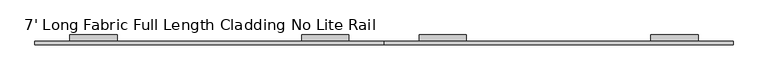
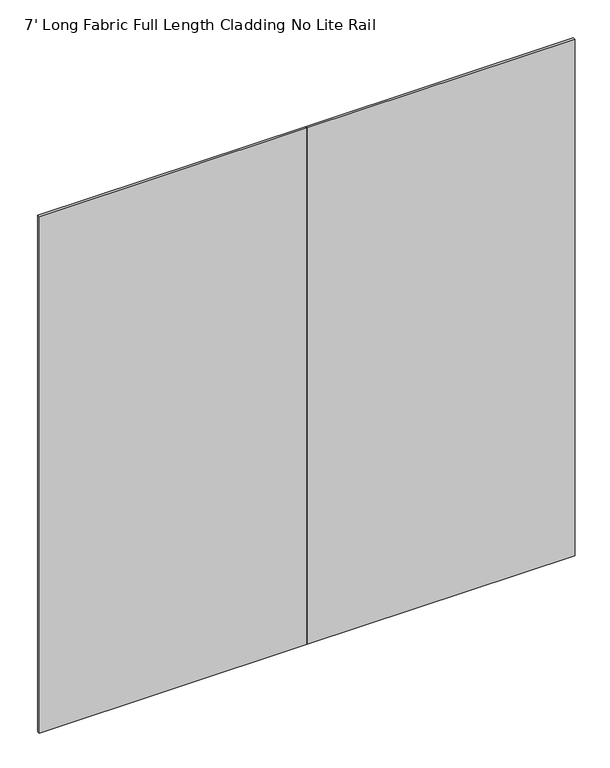
"""IFC4 building model written with IfcOpenShell, lengths in millimetres: furniture geometry, 7' Long Fabric Full Length Cladding No Lite Rail."""

from ifc_helpers import new_model, si_unit, frame, origin, place, context, project, spatial, polyline, outline, extrude, source, transform, mapped, element, save


def furniture_7_long_fabric_full_length_cladding_no_lite_rail_5d22082a(model_context):
    return source(origin(), model_context, "Body", "SweptSolid", [
        extrude(outline(polyline([(1066.8, -4.7752), (1066.8, 4.7498), (2133.6, 4.7498), (2133.6, -4.7752), (1066.8, -4.7752)])), frame((0.0, 0.0, 12.7), z_axis=(0.0, 0.0, 1.0), x_axis=(1.0, 0.0, 0.0)), (0.0, 0.0, 1.0), 2173.6010468),
        extrude(outline(polyline([(0.0, -4.7752), (0.0, 4.7498), (1066.8, 4.7498), (1066.8, -4.7752), (0.0, -4.7752)])), frame((0.0, 0.0, 12.7), z_axis=(0.0, 0.0, 1.0), x_axis=(1.0, 0.0, 0.0)), (0.0, 0.0, 1.0), 2173.6010468),
        extrude(outline(polyline([(4.7498, 2116.3226334), (24.8177997, 2116.3226334), (24.8177997, 2115.4106251), (5.6618003, 2115.4106251), (5.6618003, 2083.5286322), (24.8177997, 2083.5286322), (24.8177997, 2079.4995474), (5.6618003, 2079.4995474), (5.6618003, 2013.998531), (4.7498, 2013.998531), (4.7498, 2116.3226334)])), frame((1174.1200118, 0.0, 0.0), z_axis=(1.0, 0.0, 0.0), x_axis=(0.0, 1.0, 0.0)), (0.0, 0.0, 1.0), 144.4200002),
        extrude(outline(polyline([(4.7498, 2114.7370525), (24.8177997, 2114.7370525), (24.8177997, 2113.8250443), (5.6618003, 2113.8250443), (5.6618003, 2081.9430513), (24.8177997, 2081.9430513), (24.8177997, 2077.9139665), (5.6618003, 2077.9139665), (5.6618003, 2012.4120483), (4.7498, 2012.4120483), (4.7498, 2114.7370525)])), frame((1882.100017, 0.0, 0.0), z_axis=(1.0, 0.0, 0.0), x_axis=(0.0, 1.0, 0.0)), (0.0, 0.0, 1.0), 144.4200002),
        extrude(outline(polyline([(4.7498, 2116.3245525), (24.8177997, 2116.3245525), (24.8177997, 2115.4125443), (5.6618003, 2115.4125443), (5.6618003, 2083.5305513), (24.8177997, 2083.5305513), (24.8177997, 2079.5014665), (5.6618003, 2079.5014665), (5.6618003, 2013.9995483), (4.7498, 2013.9995483), (4.7498, 2116.3245525)])), frame((815.059988, 0.0, 0.0), z_axis=(1.0, 0.0, 0.0), x_axis=(0.0, 1.0, 0.0)), (0.0, 0.0, 1.0), 144.4200002),
        extrude(outline(polyline([(4.7498, 2116.3226334), (24.8177997, 2116.3226334), (24.8177997, 2115.4106251), (5.6618003, 2115.4106251), (5.6618003, 2083.5286322), (24.8177997, 2083.5286322), (24.8177997, 2079.4995474), (5.6618003, 2079.4995474), (5.6618003, 2013.998531), (4.7498, 2013.998531), (4.7498, 2116.3226334)])), frame((107.0799829, 0.0, 0.0), z_axis=(1.0, 0.0, 0.0), x_axis=(0.0, 1.0, 0.0)), (0.0, 0.0, 1.0), 144.4200002),
    ])


if __name__ == "__main__":
    model = new_model("IFC4")
    model_context = context("Model", 3, world=origin())
    ifc_project = project(units=[si_unit("LENGTHUNIT", "METRE", prefix="MILLI")], contexts=[model_context])
    site = spatial("IfcSite", under=ifc_project)
    building = spatial("IfcBuilding", under=site)
    placement = place(None, origin())
    furniture_7_long_fabric_full_length_cladding_no_lite_rail_shape = furniture_7_long_fabric_full_length_cladding_no_lite_rail_5d22082a(model_context)
    element("IfcFurniture", 1, ObjectType="7' Long Fabric Full Length Cladding No Lite Rail", at=placement, inside=building, context=model_context, shape_type="MappedRepresentation", body=[
        mapped(furniture_7_long_fabric_full_length_cladding_no_lite_rail_shape, transform((0.0, 0.0, 0.0), x_axis=(1.0, 0.0, 0.0), y_axis=(0.0, 1.0, 0.0), z_axis=(0.0, 0.0, 1.0))),
    ])
    save(model, "model.ifc")
